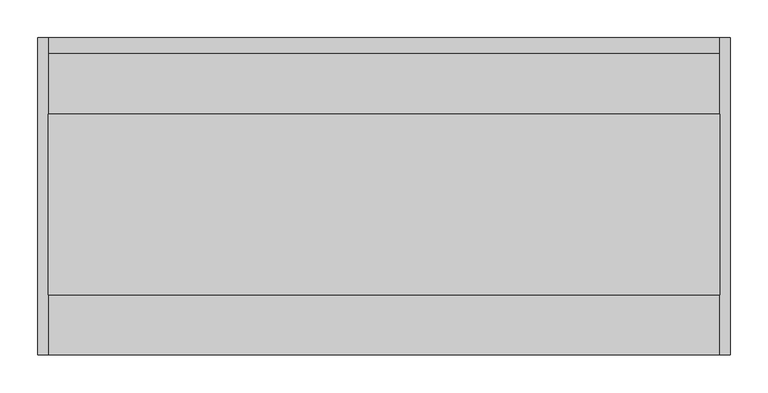
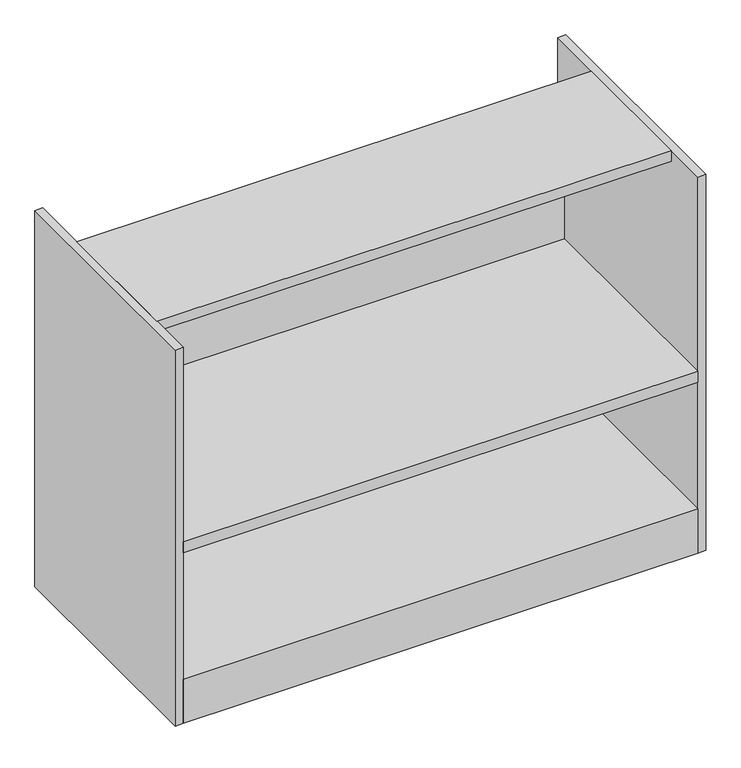
"""IFC4 building model written with IfcOpenShell, lengths in millimetres: furniture geometry."""

import ifcopenshell
import ifcopenshell.guid

model = None  # the IFC model being written
_history = None  # IfcOwnerHistory: only IFC2X3 demands one
_inside = {}  # id of a spatial element -> (the spatial element, [elements in it])
_under = {}  # id of a project, library or spatial element -> (it, [spatial elements below it])
_declared = {}  # id of a project -> (the project, [libraries it declares])
_typed = {}  # id of a type object -> (the type object, [elements of that type])
_made_of = {}  # id of a material, layer set ... -> (it, [elements and type objects made of it])


def new_model(schema):
    """Start an empty IFC model of exactly this schema.

    Asked for "IFC4X3", IfcOpenShell would pick the latest addendum, in which some entities
    have other attributes; the version numbers below select the first issue.
    IFC2X3 requires an IfcOwnerHistory on every rooted entity: one is made here for all.
    """
    global model, _history
    if schema == "IFC4X3":
        model = ifcopenshell.file(schema_version=(4, 3, 0, 0))
    else:
        model = ifcopenshell.file(schema=schema)
    _inside.clear()
    _under.clear()
    _declared.clear()
    _typed.clear()
    _made_of.clear()
    _history = None
    if model.schema == "IFC2X3":
        org = make("IfcOrganization", Name="unknown")
        user = make(
            "IfcPersonAndOrganization",
            ThePerson=make("IfcPerson", FamilyName="unknown"),
            TheOrganization=org,
        )
        app = make(
            "IfcApplication",
            ApplicationDeveloper=org,
            Version="unknown",
            ApplicationFullName="unknown",
            ApplicationIdentifier="unknown",
        )
        _history = make(
            "IfcOwnerHistory",
            OwningUser=user,
            OwningApplication=app,
            ChangeAction="ADDED",
            CreationDate=0,
        )
    return model


def make(cls, **values):
    """One entity of the class cls with the attributes given. An attribute that is None is left unset."""
    return model.create_entity(
        cls, **{name: value for name, value in values.items() if value is not None}
    )


def rooted(cls, **values):
    """An entity with a GlobalId (a new one), such as an element, a storey or a relation."""
    return make(cls, GlobalId=ifcopenshell.guid.new(), OwnerHistory=_history, **values)


def si_unit(unit_type, name, prefix=None):
    """IfcSIUnit, for example si_unit("LENGTHUNIT", "METRE", prefix="MILLI")."""
    return make("IfcSIUnit", UnitType=unit_type, Prefix=prefix, Name=name)


def assignment(units):
    """IfcUnitAssignment: the units of a project."""
    return None if units is None else make("IfcUnitAssignment", Units=units)


def point(xyz):
    """IfcCartesianPoint."""
    return None if xyz is None else make("IfcCartesianPoint", Coordinates=xyz)


def direction(xyz):
    """IfcDirection."""
    return None if xyz is None else make("IfcDirection", DirectionRatios=xyz)


def frame(location, z_axis=None, x_axis=None):
    """IfcAxis2Placement3D, a coordinate frame: its origin and axes. An axis left out is left unset."""
    return make(
        "IfcAxis2Placement3D",
        Location=point(location),
        Axis=direction(z_axis),
        RefDirection=direction(x_axis),
    )


def frame_2d(location, x_axis=None):
    """IfcAxis2Placement2D, a coordinate frame in the plane: its origin and x axis."""
    return make(
        "IfcAxis2Placement2D", Location=point(location), RefDirection=direction(x_axis)
    )


def origin():
    """The frame at (0, 0, 0) with its axes left unset."""
    return frame((0.0, 0.0, 0.0))


def origin_with_axes():
    """The frame at (0, 0, 0) with the z axis (0, 0, 1) and the x axis (1, 0, 0) written out."""
    return frame((0.0, 0.0, 0.0), z_axis=(0.0, 0.0, 1.0), x_axis=(1.0, 0.0, 0.0))


def place(relative_to, where):
    """IfcLocalPlacement: puts the frame where relative to a parent placement (None: the world)."""
    return make(
        "IfcLocalPlacement", PlacementRelTo=relative_to, RelativePlacement=where
    )


def context(
    kind, dimensions, precision=None, world=None, true_north=None, identifier=None
):
    """IfcGeometricRepresentationContext, for example the 3D "Model" context."""
    return make(
        "IfcGeometricRepresentationContext",
        ContextIdentifier=identifier,
        ContextType=kind,
        CoordinateSpaceDimension=dimensions,
        Precision=precision,
        WorldCoordinateSystem=world,
        TrueNorth=true_north,
    )


def project(units=None, contexts=None):
    """IfcProject with its units and contexts."""
    return rooted(
        "IfcProject",
        Name="project",
        RepresentationContexts=contexts,
        UnitsInContext=assignment(units),
    )


def spatial(cls, under=None, at=None, **own):
    """A site, building, storey or space (cls), placed at a placement, below another one or the project."""
    s = rooted(cls, ObjectPlacement=at, **own)
    if under is not None:
        _under.setdefault(under.id(), (under, []))[1].append(s)
    return s


def polyline(points):
    """IfcPolyline through the points."""
    return make("IfcPolyline", Points=[point(p) for p in points])


def circle_curve(where, radius):
    """IfcCircle in the frame where."""
    return make("IfcCircle", Position=where, Radius=radius)


def trimmed(basis, trim1, trim2, sense, master):
    """IfcTrimmedCurve: the piece of a basis curve between two trims."""
    return make(
        "IfcTrimmedCurve",
        BasisCurve=basis,
        Trim1=trim1,
        Trim2=trim2,
        SenseAgreement=sense,
        MasterRepresentation=master,
    )


def segment(curve, same_sense, transition):
    """IfcCompositeCurveSegment."""
    return make(
        "IfcCompositeCurveSegment",
        Transition=transition,
        SameSense=same_sense,
        ParentCurve=curve,
    )


def composite_curve(segments, self_intersect=None):
    """IfcCompositeCurve: segments joined end to end."""
    return make("IfcCompositeCurve", Segments=segments, SelfIntersect=self_intersect)


def outline(outer, holes=None, kind="AREA"):
    """IfcArbitraryClosedProfileDef: a profile drawn as a closed curve; with holes, ...WithVoids."""
    if holes is None:
        return make("IfcArbitraryClosedProfileDef", ProfileType=kind, OuterCurve=outer)
    return make(
        "IfcArbitraryProfileDefWithVoids",
        ProfileType=kind,
        OuterCurve=outer,
        InnerCurves=holes,
    )


def extrude(swept, where, along, depth):
    """IfcExtrudedAreaSolid: the profile swept, set in the frame where, extruded along a direction by depth."""
    return make(
        "IfcExtrudedAreaSolid",
        SweptArea=swept,
        Position=where,
        ExtrudedDirection=direction(along),
        Depth=depth,
    )


def shape(context_of_items, identifier, shape_type, items):
    """IfcShapeRepresentation: the items that make up one representation, for example the "Body"."""
    return make(
        "IfcShapeRepresentation",
        ContextOfItems=context_of_items,
        RepresentationIdentifier=identifier,
        RepresentationType=shape_type,
        Items=items,
    )


def source(mapping_origin, context_of_items, identifier, shape_type, items):
    """IfcRepresentationMap: a shape defined once, which mapped items show again and again."""
    return make(
        "IfcRepresentationMap",
        MappingOrigin=mapping_origin,
        MappedRepresentation=shape(context_of_items, identifier, shape_type, items),
    )


def transform(
    local_origin,
    x_axis=None,
    y_axis=None,
    z_axis=None,
    scale=None,
    scale2=None,
    scale3=None,
    uniform=True,
):
    """IfcCartesianTransformationOperator3D, or its non-uniform kind. x_axis, y_axis, z_axis: its Axis1, 2, 3."""
    if uniform:
        return make(
            "IfcCartesianTransformationOperator3D",
            Axis1=direction(x_axis),
            Axis2=direction(y_axis),
            LocalOrigin=point(local_origin),
            Scale=scale,
            Axis3=direction(z_axis),
        )
    return make(
        "IfcCartesianTransformationOperator3DnonUniform",
        Axis1=direction(x_axis),
        Axis2=direction(y_axis),
        LocalOrigin=point(local_origin),
        Scale=scale,
        Axis3=direction(z_axis),
        Scale2=scale2,
        Scale3=scale3,
    )


def mapped(mapping_source, mapping_target):
    """IfcMappedItem: shows the shape of a source again, moved by a transform."""
    return make(
        "IfcMappedItem", MappingSource=mapping_source, MappingTarget=mapping_target
    )


def made_of(thing, what):
    """Note that an element or type object is made of a material, layer set ...; save() writes the relation."""
    if what is not None:
        _made_of.setdefault(what.id(), (what, []))[1].append(thing)
    return thing


def element(
    cls,
    number,
    at=None,
    inside=None,
    cuts=None,
    type_object=None,
    material=None,
    context=None,
    identifier="Body",
    shape_type=None,
    held_by="IfcProductDefinitionShape",
    body=None,
    shapes=None,
    **own,
):
    """One element of the class cls, such as IfcWall. Its Tag is "e" and its number.

    at: its placement. inside: the storey or other place that contains it. cuts: it is an
    opening in that element (IfcRelVoidsElement). A single representation is given by context,
    identifier, shape_type and body (its items); several are given by shapes. held_by: the class
    of the entity that holds the representations. save() writes the other relations.
    """
    e = rooted(cls, Tag="e%d" % number, ObjectPlacement=at, **own)
    if body is not None:
        shapes = [shape(context, identifier, shape_type, body)]
    if shapes is not None:
        e.Representation = make(held_by, Representations=shapes)
    if inside is not None:
        _inside.setdefault(inside.id(), (inside, []))[1].append(e)
    if cuts is not None:
        rooted(
            "IfcRelVoidsElement", RelatingBuildingElement=cuts, RelatedOpeningElement=e
        )
    if type_object is not None:
        _typed.setdefault(type_object.id(), (type_object, []))[1].append(e)
    return made_of(e, material)


def aggregate(whole, parts):
    """IfcRelAggregates: a whole, such as a stair, and the parts it consists of."""
    return rooted("IfcRelAggregates", RelatingObject=whole, RelatedObjects=parts)


def save(model, path):
    """Write the relations noted so far, then the file.

    IfcRelAggregates (storeys below a building ...), IfcRelContainedInSpatialStructure (elements
    in a storey), IfcRelDefinesByType, IfcRelAssociatesMaterial and IfcRelDeclares: one each for
    every whole, place, type object, material and project.
    """
    for whole, parts in _under.values():
        aggregate(whole, parts)
    for where, things in _inside.values():
        rooted(
            "IfcRelContainedInSpatialStructure",
            RelatedElements=things,
            RelatingStructure=where,
        )
    for kind, things in _typed.values():
        rooted("IfcRelDefinesByType", RelatedObjects=things, RelatingType=kind)
    for what, things in _made_of.values():
        rooted("IfcRelAssociatesMaterial", RelatedObjects=things, RelatingMaterial=what)
    for by, libraries in _declared.values():
        rooted("IfcRelDeclares", RelatingContext=by, RelatedDefinitions=libraries)
    model.write(path)


def furniture_7d270c11(model_context):
    return source(origin(), model_context, "Body", "SweptSolid", [
        extrude(outline(composite_curve([segment(trimmed(circle_curve(frame_2d((19.0968082, 378.206)), 14.478), [point((4.6188082, 378.206))], [point((33.5748082, 378.206))], False, "CARTESIAN"), True, "CONTINUOUS"), segment(trimmed(circle_curve(frame_2d((19.0968082, 378.206)), 14.478), [point((33.5748082, 378.206))], [point((4.6188082, 378.206))], False, "CARTESIAN"), True, "CONTINUOUS")], self_intersect=False)), origin_with_axes(), (0.0, 0.0, 1.0), 12.7),
        extrude(outline(composite_curve([segment(trimmed(circle_curve(frame_2d((19.0968082, 32.9945444)), 14.478), [point((4.6188082, 32.9945444))], [point((33.5748082, 32.9945444))], False, "CARTESIAN"), True, "CONTINUOUS"), segment(trimmed(circle_curve(frame_2d((19.0968082, 32.9945444)), 14.478), [point((33.5748082, 32.9945444))], [point((4.6188082, 32.9945444))], False, "CARTESIAN"), True, "CONTINUOUS")], self_intersect=False)), origin_with_axes(), (0.0, 0.0, 1.0), 12.7),
        extrude(outline(composite_curve([segment(trimmed(circle_curve(frame_2d((861.8419262, 378.2001289)), 14.478), [point((847.3639262, 378.2001289))], [point((876.3199262, 378.2001289))], False, "CARTESIAN"), True, "CONTINUOUS"), segment(trimmed(circle_curve(frame_2d((861.8419262, 378.2001289)), 14.478), [point((876.3199262, 378.2001289))], [point((847.3639262, 378.2001289))], False, "CARTESIAN"), True, "CONTINUOUS")], self_intersect=False)), origin_with_axes(), (0.0, 0.0, 1.0), 12.7),
        extrude(outline(composite_curve([segment(trimmed(circle_curve(frame_2d((861.8419262, 33.1004588)), 14.478), [point((847.3639262, 33.1004588))], [point((876.3199262, 33.1004588))], False, "CARTESIAN"), True, "CONTINUOUS"), segment(trimmed(circle_curve(frame_2d((861.8419262, 33.1004588)), 14.478), [point((876.3199262, 33.1004588))], [point((847.3639262, 33.1004588))], False, "CARTESIAN"), True, "CONTINUOUS")], self_intersect=False)), origin_with_axes(), (0.0, 0.0, 1.0), 12.7),
        extrude(outline(polyline([(398.4755503, 601.9800073), (419.1, 601.9800073), (419.1, 12.7), (0.0, 12.7), (0.0, 93.5990016), (398.4755503, 93.5990016), (398.4755503, 323.697611), (0.0, 323.697611), (0.0, 343.8652027), (398.4755503, 343.8652027), (398.4755503, 601.9800073)]), holes=[polyline([(398.4755503, 32.8675902), (398.4755503, 73.5075998), (20.1673196, 73.5075998), (20.1673196, 32.8675902), (398.4755503, 32.8675902)])]), frame((-2.6276215, 0.0, 0.0), z_axis=(1.0, 0.0, 0.0), x_axis=(0.0, 1.0, 0.0)), (0.0, 0.0, 1.0), 886.7639434),
        extrude(outline(polyline([(884.1363219, 318.2110459), (884.1363219, 79.4510459), (-2.6276215, 79.4510459), (-2.6276215, 318.2110459), (884.1363219, 318.2110459)])), frame((0.0, 0.0, 678.6499277), z_axis=(0.0, 0.0, 1.0), x_axis=(1.0, 0.0, 0.0)), (0.0, 0.0, 1.0), 19.0499723),
        extrude(outline(polyline([(-2.6276215, 419.1), (-2.6276215, 0.0), (-16.4460781, 0.0), (-16.4460781, 419.1), (-2.6276215, 419.1)])), frame((0.0, 0.0, 12.7), z_axis=(0.0, 0.0, 1.0), x_axis=(1.0, 0.0, 0.0)), (0.0, 0.0, 1.0), 684.9999),
        extrude(outline(polyline([(897.9539219, 419.1), (897.9539219, 0.0), (884.1363219, 0.0), (884.1363219, 419.1), (897.9539219, 419.1)])), frame((0.0, 0.0, 12.7), z_axis=(0.0, 0.0, 1.0), x_axis=(1.0, 0.0, 0.0)), (0.0, 0.0, 1.0), 684.9999),
    ])


if __name__ == "__main__":
    model = new_model("IFC4")
    model_context = context("Model", 3, world=origin())
    ifc_project = project(units=[si_unit("LENGTHUNIT", "METRE", prefix="MILLI")], contexts=[model_context])
    site = spatial("IfcSite", under=ifc_project)
    building = spatial("IfcBuilding", under=site)
    placement = place(None, origin())
    furniture_shape = furniture_7d270c11(model_context)
    element("IfcFurniture", 1, at=placement, inside=building, context=model_context, shape_type="MappedRepresentation", body=[
        mapped(furniture_shape, transform((0.0, 0.0, 0.0), x_axis=(1.0, 0.0, 0.0), y_axis=(0.0, 1.0, 0.0), z_axis=(0.0, 0.0, 1.0))),
    ])
    save(model, "model.ifc")
